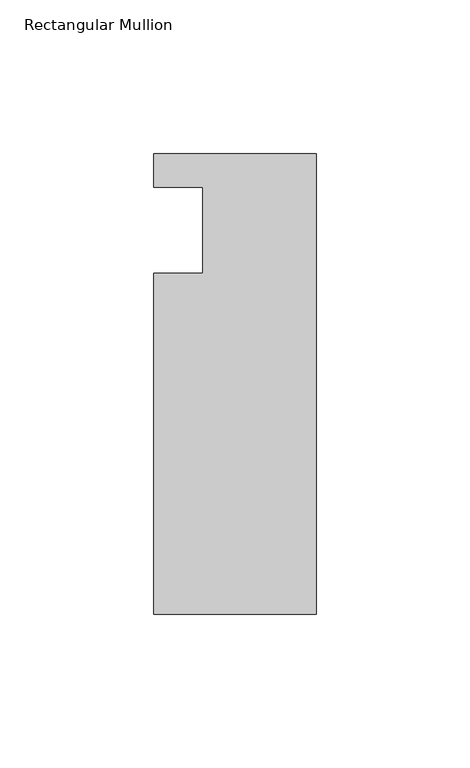
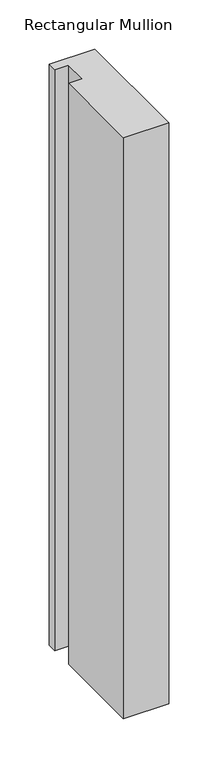
"""IFC4 building model written with IfcOpenShell, lengths in millimetres: member geometry, Rectangular Mullion."""

import ifcopenshell
import ifcopenshell.guid

model = None  # the IFC model being written
_history = None  # IfcOwnerHistory: only IFC2X3 demands one
_inside = {}  # id of a spatial element -> (the spatial element, [elements in it])
_under = {}  # id of a project, library or spatial element -> (it, [spatial elements below it])
_declared = {}  # id of a project -> (the project, [libraries it declares])
_typed = {}  # id of a type object -> (the type object, [elements of that type])
_made_of = {}  # id of a material, layer set ... -> (it, [elements and type objects made of it])


def new_model(schema):
    """Start an empty IFC model of exactly this schema.

    Asked for "IFC4X3", IfcOpenShell would pick the latest addendum, in which some entities
    have other attributes; the version numbers below select the first issue.
    IFC2X3 requires an IfcOwnerHistory on every rooted entity: one is made here for all.
    """
    global model, _history
    if schema == "IFC4X3":
        model = ifcopenshell.file(schema_version=(4, 3, 0, 0))
    else:
        model = ifcopenshell.file(schema=schema)
    _inside.clear()
    _under.clear()
    _declared.clear()
    _typed.clear()
    _made_of.clear()
    _history = None
    if model.schema == "IFC2X3":
        org = make("IfcOrganization", Name="unknown")
        user = make(
            "IfcPersonAndOrganization",
            ThePerson=make("IfcPerson", FamilyName="unknown"),
            TheOrganization=org,
        )
        app = make(
            "IfcApplication",
            ApplicationDeveloper=org,
            Version="unknown",
            ApplicationFullName="unknown",
            ApplicationIdentifier="unknown",
        )
        _history = make(
            "IfcOwnerHistory",
            OwningUser=user,
            OwningApplication=app,
            ChangeAction="ADDED",
            CreationDate=0,
        )
    return model


def make(cls, **values):
    """One entity of the class cls with the attributes given. An attribute that is None is left unset."""
    return model.create_entity(
        cls, **{name: value for name, value in values.items() if value is not None}
    )


def rooted(cls, **values):
    """An entity with a GlobalId (a new one), such as an element, a storey or a relation."""
    return make(cls, GlobalId=ifcopenshell.guid.new(), OwnerHistory=_history, **values)


def si_unit(unit_type, name, prefix=None):
    """IfcSIUnit, for example si_unit("LENGTHUNIT", "METRE", prefix="MILLI")."""
    return make("IfcSIUnit", UnitType=unit_type, Prefix=prefix, Name=name)


def assignment(units):
    """IfcUnitAssignment: the units of a project."""
    return None if units is None else make("IfcUnitAssignment", Units=units)


def point(xyz):
    """IfcCartesianPoint."""
    return None if xyz is None else make("IfcCartesianPoint", Coordinates=xyz)


def direction(xyz):
    """IfcDirection."""
    return None if xyz is None else make("IfcDirection", DirectionRatios=xyz)


def frame(location, z_axis=None, x_axis=None):
    """IfcAxis2Placement3D, a coordinate frame: its origin and axes. An axis left out is left unset."""
    return make(
        "IfcAxis2Placement3D",
        Location=point(location),
        Axis=direction(z_axis),
        RefDirection=direction(x_axis),
    )


def origin():
    """The frame at (0, 0, 0) with its axes left unset."""
    return frame((0.0, 0.0, 0.0))


def place(relative_to, where):
    """IfcLocalPlacement: puts the frame where relative to a parent placement (None: the world)."""
    return make(
        "IfcLocalPlacement", PlacementRelTo=relative_to, RelativePlacement=where
    )


def context(
    kind, dimensions, precision=None, world=None, true_north=None, identifier=None
):
    """IfcGeometricRepresentationContext, for example the 3D "Model" context."""
    return make(
        "IfcGeometricRepresentationContext",
        ContextIdentifier=identifier,
        ContextType=kind,
        CoordinateSpaceDimension=dimensions,
        Precision=precision,
        WorldCoordinateSystem=world,
        TrueNorth=true_north,
    )


def project(units=None, contexts=None):
    """IfcProject with its units and contexts."""
    return rooted(
        "IfcProject",
        Name="project",
        RepresentationContexts=contexts,
        UnitsInContext=assignment(units),
    )


def spatial(cls, under=None, at=None, **own):
    """A site, building, storey or space (cls), placed at a placement, below another one or the project."""
    s = rooted(cls, ObjectPlacement=at, **own)
    if under is not None:
        _under.setdefault(under.id(), (under, []))[1].append(s)
    return s


def polyline(points):
    """IfcPolyline through the points."""
    return make("IfcPolyline", Points=[point(p) for p in points])


def outline(outer, holes=None, kind="AREA"):
    """IfcArbitraryClosedProfileDef: a profile drawn as a closed curve; with holes, ...WithVoids."""
    if holes is None:
        return make("IfcArbitraryClosedProfileDef", ProfileType=kind, OuterCurve=outer)
    return make(
        "IfcArbitraryProfileDefWithVoids",
        ProfileType=kind,
        OuterCurve=outer,
        InnerCurves=holes,
    )


def extrude(swept, where, along, depth):
    """IfcExtrudedAreaSolid: the profile swept, set in the frame where, extruded along a direction by depth."""
    return make(
        "IfcExtrudedAreaSolid",
        SweptArea=swept,
        Position=where,
        ExtrudedDirection=direction(along),
        Depth=depth,
    )


def shape(context_of_items, identifier, shape_type, items):
    """IfcShapeRepresentation: the items that make up one representation, for example the "Body"."""
    return make(
        "IfcShapeRepresentation",
        ContextOfItems=context_of_items,
        RepresentationIdentifier=identifier,
        RepresentationType=shape_type,
        Items=items,
    )


def source(mapping_origin, context_of_items, identifier, shape_type, items):
    """IfcRepresentationMap: a shape defined once, which mapped items show again and again."""
    return make(
        "IfcRepresentationMap",
        MappingOrigin=mapping_origin,
        MappedRepresentation=shape(context_of_items, identifier, shape_type, items),
    )


def transform(
    local_origin,
    x_axis=None,
    y_axis=None,
    z_axis=None,
    scale=None,
    scale2=None,
    scale3=None,
    uniform=True,
):
    """IfcCartesianTransformationOperator3D, or its non-uniform kind. x_axis, y_axis, z_axis: its Axis1, 2, 3."""
    if uniform:
        return make(
            "IfcCartesianTransformationOperator3D",
            Axis1=direction(x_axis),
            Axis2=direction(y_axis),
            LocalOrigin=point(local_origin),
            Scale=scale,
            Axis3=direction(z_axis),
        )
    return make(
        "IfcCartesianTransformationOperator3DnonUniform",
        Axis1=direction(x_axis),
        Axis2=direction(y_axis),
        LocalOrigin=point(local_origin),
        Scale=scale,
        Axis3=direction(z_axis),
        Scale2=scale2,
        Scale3=scale3,
    )


def mapped(mapping_source, mapping_target):
    """IfcMappedItem: shows the shape of a source again, moved by a transform."""
    return make(
        "IfcMappedItem", MappingSource=mapping_source, MappingTarget=mapping_target
    )


def made_of(thing, what):
    """Note that an element or type object is made of a material, layer set ...; save() writes the relation."""
    if what is not None:
        _made_of.setdefault(what.id(), (what, []))[1].append(thing)
    return thing


def element(
    cls,
    number,
    at=None,
    inside=None,
    cuts=None,
    type_object=None,
    material=None,
    context=None,
    identifier="Body",
    shape_type=None,
    held_by="IfcProductDefinitionShape",
    body=None,
    shapes=None,
    **own,
):
    """One element of the class cls, such as IfcWall. Its Tag is "e" and its number.

    at: its placement. inside: the storey or other place that contains it. cuts: it is an
    opening in that element (IfcRelVoidsElement). A single representation is given by context,
    identifier, shape_type and body (its items); several are given by shapes. held_by: the class
    of the entity that holds the representations. save() writes the other relations.
    """
    e = rooted(cls, Tag="e%d" % number, ObjectPlacement=at, **own)
    if body is not None:
        shapes = [shape(context, identifier, shape_type, body)]
    if shapes is not None:
        e.Representation = make(held_by, Representations=shapes)
    if inside is not None:
        _inside.setdefault(inside.id(), (inside, []))[1].append(e)
    if cuts is not None:
        rooted(
            "IfcRelVoidsElement", RelatingBuildingElement=cuts, RelatedOpeningElement=e
        )
    if type_object is not None:
        _typed.setdefault(type_object.id(), (type_object, []))[1].append(e)
    return made_of(e, material)


def aggregate(whole, parts):
    """IfcRelAggregates: a whole, such as a stair, and the parts it consists of."""
    return rooted("IfcRelAggregates", RelatingObject=whole, RelatedObjects=parts)


def save(model, path):
    """Write the relations noted so far, then the file.

    IfcRelAggregates (storeys below a building ...), IfcRelContainedInSpatialStructure (elements
    in a storey), IfcRelDefinesByType, IfcRelAssociatesMaterial and IfcRelDeclares: one each for
    every whole, place, type object, material and project.
    """
    for whole, parts in _under.values():
        aggregate(whole, parts)
    for where, things in _inside.values():
        rooted(
            "IfcRelContainedInSpatialStructure",
            RelatedElements=things,
            RelatingStructure=where,
        )
    for kind, things in _typed.values():
        rooted("IfcRelDefinesByType", RelatedObjects=things, RelatingType=kind)
    for what, things in _made_of.values():
        rooted("IfcRelAssociatesMaterial", RelatedObjects=things, RelatingMaterial=what)
    for by, libraries in _declared.values():
        rooted("IfcRelDeclares", RelatingContext=by, RelatedDefinitions=libraries)
    model.write(path)


def rectangular_mullion_647bff59(model_context):
    return source(origin(), model_context, "Body", "SweptSolid", [
        extrude(outline(polyline([(-37.0, -14.0), (-37.0, 14.0), (-53.0, 14.0), (-53.0, 25.0), (0.0, 25.0), (0.0, -125.0), (-53.0, -125.0), (-53.0, -14.0), (-37.0, -14.0)])), frame((0.0, 0.0, -718.9800745), z_axis=(0.0, 0.0, 1.0), x_axis=(1.0, 0.0, 0.0)), (0.0, 0.0, 1.0), 718.9800745),
    ])


if __name__ == "__main__":
    model = new_model("IFC4")
    model_context = context("Model", 3, world=origin())
    ifc_project = project(units=[si_unit("LENGTHUNIT", "METRE", prefix="MILLI")], contexts=[model_context])
    site = spatial("IfcSite", under=ifc_project)
    building = spatial("IfcBuilding", under=site)
    placement = place(None, origin())
    rectangular_mullion_shape = rectangular_mullion_647bff59(model_context)
    element("IfcMember", 1, ObjectType="Rectangular Mullion", at=placement, inside=building, context=model_context, shape_type="MappedRepresentation", body=[
        mapped(rectangular_mullion_shape, transform((0.0, 0.0, 0.0), x_axis=(1.0, 0.0, 0.0), y_axis=(0.0, 1.0, 0.0), z_axis=(0.0, 0.0, 1.0))),
    ])
    save(model, "model.ifc")
